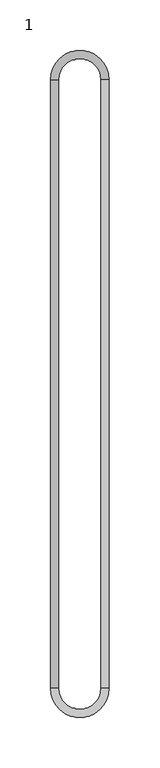
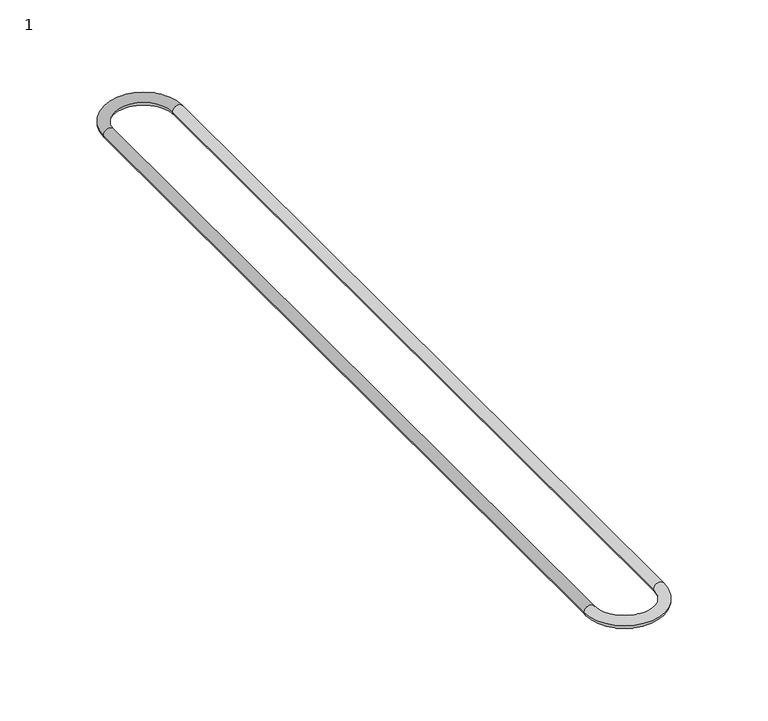
"""IFC4 building model written with IfcOpenShell, lengths in millimetres: proxy geometry, 1."""

from ifc_helpers import new_model, si_unit, point, frame, origin, place, context, project, spatial, circle_curve, ellipse_curve, trimmed, source, transform, mapped, element, save
from ifc_brep_helpers import cylinder_surface, revolved_surface, advanced_brep


def proxy_1_aa6cd29e(model_context):
    return source(origin(), model_context, "Body", "AdvancedBrep", [
        advanced_brep(
        [(54.0, -600.0, 0.0), (46.0, -600.0, 0.0), (4.0, -600.0, 0.0), (-4.0, -600.0, 0.0), (54.0, 0.0, 0.0), (46.0, 0.0, 0.0), (-4.0, 0.0, 0.0), (4.0, 0.0, 0.0)],
        [
            (0, 1, circle_curve(frame((50.0, -600.0, 0.0), z_axis=(0.0, -1.0, 0.0), x_axis=(1.0, 0.0, 0.0)), 4.0)),
            (1, 2, circle_curve(frame((25.0, -600.0, 0.0), z_axis=(0.0, 0.0, -1.0), x_axis=(-1.0, 0.0, 0.0)), 21.0)),
            (2, 3, circle_curve(frame((0.0, -600.0, 0.0), z_axis=(0.0, -1.0, 0.0), x_axis=(-1.0, 0.0, 0.0)), 4.0)),
            (3, 0, circle_curve(frame((25.0, -600.0, 0.0), z_axis=(0.0, 0.0, 1.0), x_axis=(-1.0, 0.0, 0.0)), 29.0)),
            (1, 0, circle_curve(frame((50.0, -600.0, 0.0), z_axis=(0.0, -1.0, 0.0), x_axis=(1.0, 0.0, 0.0)), 4.0)),
            (3, 2, circle_curve(frame((0.0, -600.0, 0.0), z_axis=(0.0, -1.0, 0.0), x_axis=(-1.0, 0.0, 0.0)), 4.0)),
            (0, 4),
            (4, 5, circle_curve(frame((50.0, 0.0, 0.0), z_axis=(0.0, -1.0, 0.0), x_axis=(1.0, 0.0, 0.0)), 4.0)),
            (5, 1),
            (5, 4, circle_curve(frame((50.0, 0.0, 0.0), z_axis=(0.0, -1.0, 0.0), x_axis=(1.0, 0.0, 0.0)), 4.0)),
            (6, 7, circle_curve(frame((0.0, 0.0, 0.0), z_axis=(0.0, 1.0, 0.0), x_axis=(-1.0, 0.0, 0.0)), 4.0)),
            (7, 5, circle_curve(frame((25.0, 0.0, 0.0), z_axis=(0.0, 0.0, -1.0), x_axis=(1.0, 0.0, 0.0)), 21.0)),
            (4, 6, circle_curve(frame((25.0, 0.0, 0.0), z_axis=(0.0, 0.0, 1.0), x_axis=(1.0, 0.0, 0.0)), 29.0)),
            (7, 6, circle_curve(frame((0.0, 0.0, 0.0), z_axis=(0.0, 1.0, 0.0), x_axis=(-1.0, 0.0, 0.0)), 4.0)),
            (6, 3),
            (2, 7),
        ],
        [
            revolved_surface(trimmed(ellipse_curve(frame((0.0, -600.0, 0.0), z_axis=(0.0, -1.0, 0.0), x_axis=(-1.0, 0.0, 0.0)), 4.0, 4.0), [point((4.0, -600.0, 0.0))], [point((-4.0, -600.0, 0.0))], True, "CARTESIAN"), (25.0, -600.0, 0.0), (0.0, 0.0, -1.0)),
            revolved_surface(trimmed(ellipse_curve(frame((0.0, -600.0, 0.0), z_axis=(0.0, -1.0, 0.0), x_axis=(-1.0, 0.0, 0.0)), 4.0, 4.0), [point((-4.0, -600.0, 0.0))], [point((4.0, -600.0, 0.0))], True, "CARTESIAN"), (25.0, -600.0, 0.0), (0.0, 0.0, -1.0)),
            cylinder_surface(frame((50.0, -600.0, 0.0), z_axis=(0.0, -1.0, 0.0), x_axis=(1.0, 0.0, 0.0)), 4.0),
            revolved_surface(trimmed(ellipse_curve(frame((50.0, 0.0, 0.0), z_axis=(0.0, 1.0, 0.0), x_axis=(1.0, 0.0, 0.0)), 4.0, 4.0), [point((46.0, 0.0, 0.0))], [point((54.0, 0.0, 0.0))], True, "CARTESIAN"), (25.0, 0.0, 0.0), (0.0, 0.0, -1.0)),
            revolved_surface(trimmed(ellipse_curve(frame((50.0, 0.0, 0.0), z_axis=(0.0, 1.0, 0.0), x_axis=(1.0, 0.0, 0.0)), 4.0, 4.0), [point((54.0, 0.0, 0.0))], [point((46.0, 0.0, 0.0))], True, "CARTESIAN"), (25.0, 0.0, 0.0), (0.0, 0.0, -1.0)),
            cylinder_surface(frame((0.0, 0.0, 0.0), z_axis=(0.0, 1.0, 0.0), x_axis=(-1.0, 0.0, 0.0)), 4.0),
        ],
        [
            (0, [[1, 2, 3, 4]]),
            (1, [[5, -4, 6, -2]]),
            (2, [[7, 8, 9, -1]]),
            (2, [[-9, 10, -7, -5]]),
            (3, [[11, 12, -8, 13]]),
            (4, [[14, -13, -10, -12]]),
            (5, [[15, -3, 16, -11]]),
            (5, [[-16, -6, -15, -14]]),
        ],
    ),
    ])


if __name__ == "__main__":
    model = new_model("IFC4")
    model_context = context("Model", 3, world=origin())
    ifc_project = project(units=[si_unit("LENGTHUNIT", "METRE", prefix="MILLI")], contexts=[model_context])
    site = spatial("IfcSite", under=ifc_project)
    building = spatial("IfcBuilding", under=site)
    placement = place(None, origin())
    proxy_1_shape = proxy_1_aa6cd29e(model_context)
    element("IfcBuildingElementProxy", 1, Name="1", ObjectType="1", at=placement, inside=building, context=model_context, shape_type="MappedRepresentation", body=[
        mapped(proxy_1_shape, transform((0.0, 0.0, 0.0), x_axis=(1.0, 0.0, 0.0), y_axis=(0.0, 1.0, 0.0), z_axis=(0.0, 0.0, 1.0))),
    ])
    save(model, "model.ifc")
